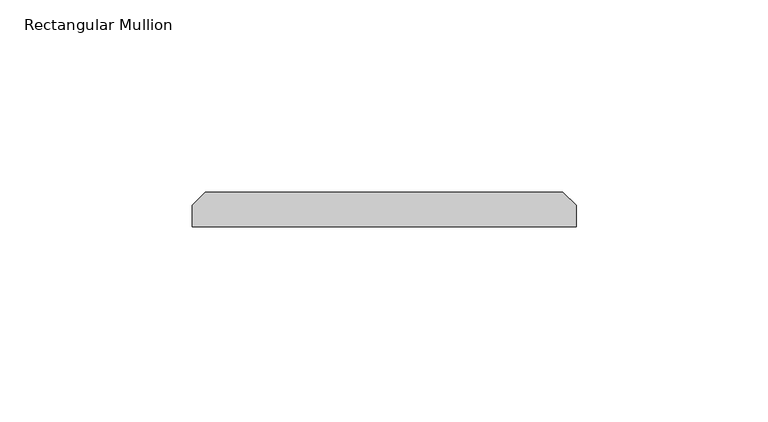
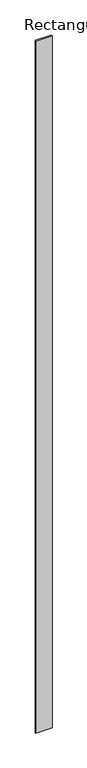
"""IFC4 building model written with IfcOpenShell, lengths in millimetres: member geometry, Rectangular Mullion."""

from ifc_helpers import new_model, si_unit, frame, origin, place, context, project, spatial, polyline, outline, extrude, source, transform, mapped, element, save


def rectangular_mullion_8a95e8b3(model_context):
    return source(origin(), model_context, "Body", "SweptSolid", [
        extrude(outline(polyline([(50.0, 0.0), (-50.0, 0.0), (-50.0, 5.5), (-46.5, 9.0), (46.5, 9.0), (50.0, 5.5), (50.0, 0.0)])), frame((0.0, 0.0, -4500.0), z_axis=(0.0, 0.0, 1.0), x_axis=(1.0, 0.0, 0.0)), (0.0, 0.0, 1.0), 4500.0),
    ])


if __name__ == "__main__":
    model = new_model("IFC4")
    model_context = context("Model", 3, world=origin())
    ifc_project = project(units=[si_unit("LENGTHUNIT", "METRE", prefix="MILLI")], contexts=[model_context])
    site = spatial("IfcSite", under=ifc_project)
    building = spatial("IfcBuilding", under=site)
    placement = place(None, origin())
    rectangular_mullion_shape = rectangular_mullion_8a95e8b3(model_context)
    element("IfcMember", 1, ObjectType="Rectangular Mullion", at=placement, inside=building, context=model_context, shape_type="MappedRepresentation", body=[
        mapped(rectangular_mullion_shape, transform((0.0, 0.0, 0.0), x_axis=(1.0, 0.0, 0.0), y_axis=(0.0, 1.0, 0.0), z_axis=(0.0, 0.0, 1.0))),
    ])
    save(model, "model.ifc")
